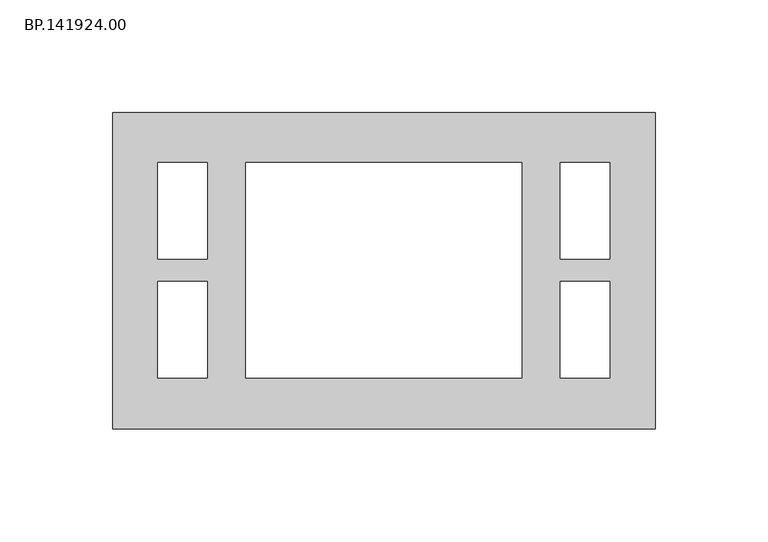
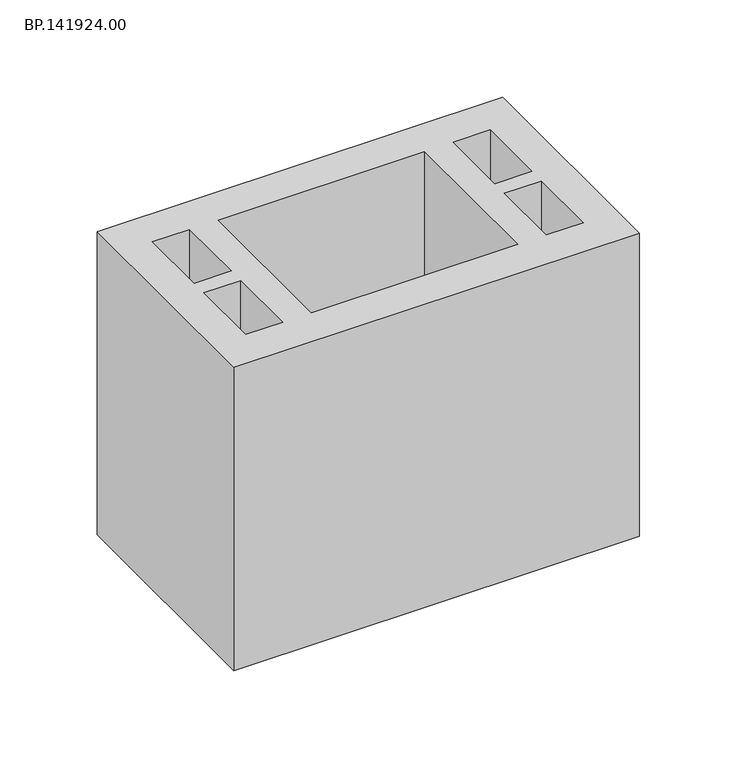
"""IFC4 building model written with IfcOpenShell, lengths in millimetres: proxy geometry, BP.141924.00."""

import ifcopenshell
import ifcopenshell.guid

model = None  # the IFC model being written
_history = None  # IfcOwnerHistory: only IFC2X3 demands one
_inside = {}  # id of a spatial element -> (the spatial element, [elements in it])
_under = {}  # id of a project, library or spatial element -> (it, [spatial elements below it])
_declared = {}  # id of a project -> (the project, [libraries it declares])
_typed = {}  # id of a type object -> (the type object, [elements of that type])
_made_of = {}  # id of a material, layer set ... -> (it, [elements and type objects made of it])


def new_model(schema):
    """Start an empty IFC model of exactly this schema.

    Asked for "IFC4X3", IfcOpenShell would pick the latest addendum, in which some entities
    have other attributes; the version numbers below select the first issue.
    IFC2X3 requires an IfcOwnerHistory on every rooted entity: one is made here for all.
    """
    global model, _history
    if schema == "IFC4X3":
        model = ifcopenshell.file(schema_version=(4, 3, 0, 0))
    else:
        model = ifcopenshell.file(schema=schema)
    _inside.clear()
    _under.clear()
    _declared.clear()
    _typed.clear()
    _made_of.clear()
    _history = None
    if model.schema == "IFC2X3":
        org = make("IfcOrganization", Name="unknown")
        user = make(
            "IfcPersonAndOrganization",
            ThePerson=make("IfcPerson", FamilyName="unknown"),
            TheOrganization=org,
        )
        app = make(
            "IfcApplication",
            ApplicationDeveloper=org,
            Version="unknown",
            ApplicationFullName="unknown",
            ApplicationIdentifier="unknown",
        )
        _history = make(
            "IfcOwnerHistory",
            OwningUser=user,
            OwningApplication=app,
            ChangeAction="ADDED",
            CreationDate=0,
        )
    return model


def make(cls, **values):
    """One entity of the class cls with the attributes given. An attribute that is None is left unset."""
    return model.create_entity(
        cls, **{name: value for name, value in values.items() if value is not None}
    )


def rooted(cls, **values):
    """An entity with a GlobalId (a new one), such as an element, a storey or a relation."""
    return make(cls, GlobalId=ifcopenshell.guid.new(), OwnerHistory=_history, **values)


def si_unit(unit_type, name, prefix=None):
    """IfcSIUnit, for example si_unit("LENGTHUNIT", "METRE", prefix="MILLI")."""
    return make("IfcSIUnit", UnitType=unit_type, Prefix=prefix, Name=name)


def assignment(units):
    """IfcUnitAssignment: the units of a project."""
    return None if units is None else make("IfcUnitAssignment", Units=units)


def point(xyz):
    """IfcCartesianPoint."""
    return None if xyz is None else make("IfcCartesianPoint", Coordinates=xyz)


def direction(xyz):
    """IfcDirection."""
    return None if xyz is None else make("IfcDirection", DirectionRatios=xyz)


def frame(location, z_axis=None, x_axis=None):
    """IfcAxis2Placement3D, a coordinate frame: its origin and axes. An axis left out is left unset."""
    return make(
        "IfcAxis2Placement3D",
        Location=point(location),
        Axis=direction(z_axis),
        RefDirection=direction(x_axis),
    )


def origin():
    """The frame at (0, 0, 0) with its axes left unset."""
    return frame((0.0, 0.0, 0.0))


def origin_with_axes():
    """The frame at (0, 0, 0) with the z axis (0, 0, 1) and the x axis (1, 0, 0) written out."""
    return frame((0.0, 0.0, 0.0), z_axis=(0.0, 0.0, 1.0), x_axis=(1.0, 0.0, 0.0))


def place(relative_to, where):
    """IfcLocalPlacement: puts the frame where relative to a parent placement (None: the world)."""
    return make(
        "IfcLocalPlacement", PlacementRelTo=relative_to, RelativePlacement=where
    )


def context(
    kind, dimensions, precision=None, world=None, true_north=None, identifier=None
):
    """IfcGeometricRepresentationContext, for example the 3D "Model" context."""
    return make(
        "IfcGeometricRepresentationContext",
        ContextIdentifier=identifier,
        ContextType=kind,
        CoordinateSpaceDimension=dimensions,
        Precision=precision,
        WorldCoordinateSystem=world,
        TrueNorth=true_north,
    )


def project(units=None, contexts=None):
    """IfcProject with its units and contexts."""
    return rooted(
        "IfcProject",
        Name="project",
        RepresentationContexts=contexts,
        UnitsInContext=assignment(units),
    )


def spatial(cls, under=None, at=None, **own):
    """A site, building, storey or space (cls), placed at a placement, below another one or the project."""
    s = rooted(cls, ObjectPlacement=at, **own)
    if under is not None:
        _under.setdefault(under.id(), (under, []))[1].append(s)
    return s


def polyline(points):
    """IfcPolyline through the points."""
    return make("IfcPolyline", Points=[point(p) for p in points])


def outline(outer, holes=None, kind="AREA"):
    """IfcArbitraryClosedProfileDef: a profile drawn as a closed curve; with holes, ...WithVoids."""
    if holes is None:
        return make("IfcArbitraryClosedProfileDef", ProfileType=kind, OuterCurve=outer)
    return make(
        "IfcArbitraryProfileDefWithVoids",
        ProfileType=kind,
        OuterCurve=outer,
        InnerCurves=holes,
    )


def extrude(swept, where, along, depth):
    """IfcExtrudedAreaSolid: the profile swept, set in the frame where, extruded along a direction by depth."""
    return make(
        "IfcExtrudedAreaSolid",
        SweptArea=swept,
        Position=where,
        ExtrudedDirection=direction(along),
        Depth=depth,
    )


def shape(context_of_items, identifier, shape_type, items):
    """IfcShapeRepresentation: the items that make up one representation, for example the "Body"."""
    return make(
        "IfcShapeRepresentation",
        ContextOfItems=context_of_items,
        RepresentationIdentifier=identifier,
        RepresentationType=shape_type,
        Items=items,
    )


def source(mapping_origin, context_of_items, identifier, shape_type, items):
    """IfcRepresentationMap: a shape defined once, which mapped items show again and again."""
    return make(
        "IfcRepresentationMap",
        MappingOrigin=mapping_origin,
        MappedRepresentation=shape(context_of_items, identifier, shape_type, items),
    )


def transform(
    local_origin,
    x_axis=None,
    y_axis=None,
    z_axis=None,
    scale=None,
    scale2=None,
    scale3=None,
    uniform=True,
):
    """IfcCartesianTransformationOperator3D, or its non-uniform kind. x_axis, y_axis, z_axis: its Axis1, 2, 3."""
    if uniform:
        return make(
            "IfcCartesianTransformationOperator3D",
            Axis1=direction(x_axis),
            Axis2=direction(y_axis),
            LocalOrigin=point(local_origin),
            Scale=scale,
            Axis3=direction(z_axis),
        )
    return make(
        "IfcCartesianTransformationOperator3DnonUniform",
        Axis1=direction(x_axis),
        Axis2=direction(y_axis),
        LocalOrigin=point(local_origin),
        Scale=scale,
        Axis3=direction(z_axis),
        Scale2=scale2,
        Scale3=scale3,
    )


def mapped(mapping_source, mapping_target):
    """IfcMappedItem: shows the shape of a source again, moved by a transform."""
    return make(
        "IfcMappedItem", MappingSource=mapping_source, MappingTarget=mapping_target
    )


def made_of(thing, what):
    """Note that an element or type object is made of a material, layer set ...; save() writes the relation."""
    if what is not None:
        _made_of.setdefault(what.id(), (what, []))[1].append(thing)
    return thing


def element(
    cls,
    number,
    at=None,
    inside=None,
    cuts=None,
    type_object=None,
    material=None,
    context=None,
    identifier="Body",
    shape_type=None,
    held_by="IfcProductDefinitionShape",
    body=None,
    shapes=None,
    **own,
):
    """One element of the class cls, such as IfcWall. Its Tag is "e" and its number.

    at: its placement. inside: the storey or other place that contains it. cuts: it is an
    opening in that element (IfcRelVoidsElement). A single representation is given by context,
    identifier, shape_type and body (its items); several are given by shapes. held_by: the class
    of the entity that holds the representations. save() writes the other relations.
    """
    e = rooted(cls, Tag="e%d" % number, ObjectPlacement=at, **own)
    if body is not None:
        shapes = [shape(context, identifier, shape_type, body)]
    if shapes is not None:
        e.Representation = make(held_by, Representations=shapes)
    if inside is not None:
        _inside.setdefault(inside.id(), (inside, []))[1].append(e)
    if cuts is not None:
        rooted(
            "IfcRelVoidsElement", RelatingBuildingElement=cuts, RelatedOpeningElement=e
        )
    if type_object is not None:
        _typed.setdefault(type_object.id(), (type_object, []))[1].append(e)
    return made_of(e, material)


def aggregate(whole, parts):
    """IfcRelAggregates: a whole, such as a stair, and the parts it consists of."""
    return rooted("IfcRelAggregates", RelatingObject=whole, RelatedObjects=parts)


def save(model, path):
    """Write the relations noted so far, then the file.

    IfcRelAggregates (storeys below a building ...), IfcRelContainedInSpatialStructure (elements
    in a storey), IfcRelDefinesByType, IfcRelAssociatesMaterial and IfcRelDeclares: one each for
    every whole, place, type object, material and project.
    """
    for whole, parts in _under.values():
        aggregate(whole, parts)
    for where, things in _inside.values():
        rooted(
            "IfcRelContainedInSpatialStructure",
            RelatedElements=things,
            RelatingStructure=where,
        )
    for kind, things in _typed.values():
        rooted("IfcRelDefinesByType", RelatedObjects=things, RelatingType=kind)
    for what, things in _made_of.values():
        rooted("IfcRelAssociatesMaterial", RelatedObjects=things, RelatingMaterial=what)
    for by, libraries in _declared.values():
        rooted("IfcRelDeclares", RelatingContext=by, RelatedDefinitions=libraries)
    model.write(path)


def bp_141924_00_e74277e9(model_context):
    return source(origin(), model_context, "Body", "SweptSolid", [
        extrude(outline(polyline([(245.0411621, 70.0050293), (245.0411621, -70.0050293), (5.0, -70.0050293), (5.0, 70.0050293), (245.0411621, 70.0050293)]), holes=[polyline([(63.7499023, 48.0435791), (63.7499023, -47.5598877), (186.0494141, -47.5598877), (186.0494141, 48.0435791), (63.7499023, 48.0435791)]), polyline([(46.8393066, 5.2368896), (46.8393066, 48.0435791), (24.9057617, 48.0435791), (24.9057617, 5.2368896), (46.8393066, 5.2368896)]), polyline([(46.8393066, -4.7531982), (24.9057617, -4.7531982), (24.9057617, -47.5598877), (46.8393066, -47.5598877), (46.8393066, -4.7531982)]), polyline([(202.9600098, 5.2368896), (224.8935547, 5.2368896), (224.8935547, 48.0435791), (202.9600098, 48.0435791), (202.9600098, 5.2368896)]), polyline([(202.9600098, -4.7531982), (202.9600098, -47.5598877), (224.8935547, -47.5598877), (224.8935547, -4.7531982), (202.9600098, -4.7531982)])]), origin_with_axes(), (0.0, 0.0, 1.0), 190.0),
    ])


if __name__ == "__main__":
    model = new_model("IFC4")
    model_context = context("Model", 3, world=origin())
    ifc_project = project(units=[si_unit("LENGTHUNIT", "METRE", prefix="MILLI")], contexts=[model_context])
    site = spatial("IfcSite", under=ifc_project)
    building = spatial("IfcBuilding", under=site)
    placement = place(None, origin())
    bp_141924_00_shape = bp_141924_00_e74277e9(model_context)
    element("IfcBuildingElementProxy", 1, Name="BP.141924.00", ObjectType="BP.141924.00", at=placement, inside=building, context=model_context, shape_type="MappedRepresentation", body=[
        mapped(bp_141924_00_shape, transform((0.0, 0.0, 0.0), x_axis=(1.0, 0.0, 0.0), y_axis=(0.0, 1.0, 0.0), z_axis=(0.0, 0.0, 1.0))),
    ])
    save(model, "model.ifc")
